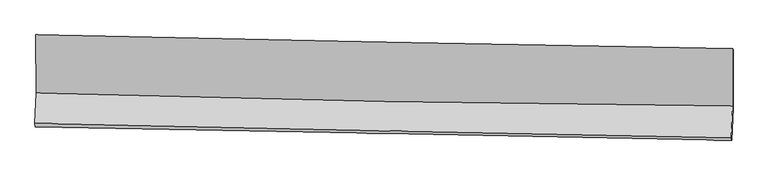
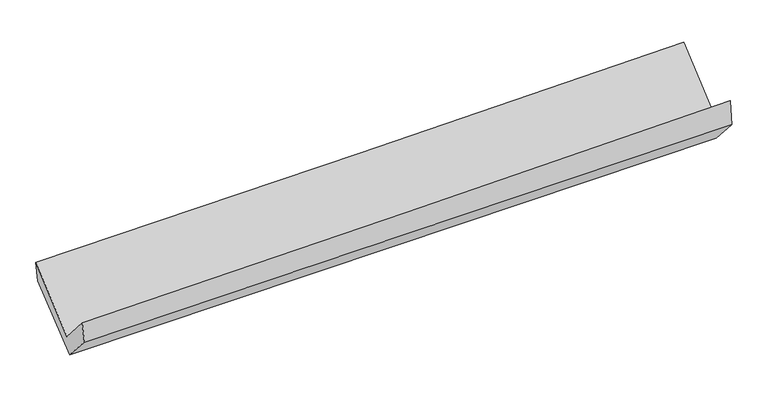
"""IFC4 building model written with IfcOpenShell, lengths in millimetres: proxy geometry."""

from ifc_helpers import new_model, si_unit, frame, origin, place, context, project, spatial, source, transform, mapped, element, save
from ifc_brep_helpers import plane_surface, spline_curve, spline_surface, advanced_brep


def generic_models_02222ac5(model_context):
    return source(origin(), model_context, "Body", "AdvancedBrep", [
        advanced_brep(
        [(-3028.3164039, -1151.9771544, 2167.3038431), (-3026.6419485, -1656.3474559, 1733.0103685), (3015.9827129, -1771.7390791, 1891.1563178), (3016.1332023, -1272.2390601, 2323.1659072), (-3036.6964819, -1924.5270672, 2035.8787357), (3005.3660828, -2047.0467182, 2216.4549287), (-3033.5585729, -1954.5939906, 1861.8198473), (3009.3551476, -2067.961913, 1984.6683834), (-3023.9415668, -1695.1888408, 1574.1553012), (3019.5670393, -1793.4827909, 1680.2878088), (-3025.3525158, -1182.7981029, 2001.2048871), (3020.0217076, -1280.8135517, 2107.6300551)],
        [
            (0, 1),
            (1, 2, spline_curve(3, [(-3026.6419485, -1656.3474559, 1733.0103685), (-2019.779519404, -1686.758710819, 1763.338371861), (-1012.786458498, -1711.580385301, 1791.681420286), (1001.421772318, -1750.043824778, 1844.396582343), (2008.636931587, -1763.686025125, 1868.768850353), (3015.9827129, -1771.7390791, 1891.1563178)], [4, 2, 4], [0.0, 9.919441514897187, 19.8384973736189])),
            (2, 3),
            (3, 0, spline_curve(3, [(3016.1332023, -1272.2390601, 2323.1659072), (2008.737040119, -1255.951333246, 2295.069297692), (1001.344616774, -1237.785875797, 2268.032719478), (-1013.47191858, -1197.698720117, 2216.078615745), (-2020.896031018, -1175.776875717, 2191.161172566), (-3028.3164039, -1151.9771544, 2167.3038431)], [4, 2, 4], [0.0, 9.919055858721713, 19.8384973736189])),
            (1, 4),
            (4, 5, spline_curve(3, [(-3036.6964819, -1924.5270672, 2035.8787357), (-2029.6131224, -1945.485127792, 2062.041004306), (-1022.556441251, -1966.174322013, 2090.170485678), (991.464411513, -2007.014185068, 2150.362702798), (1998.428585479, -2027.164874003, 2182.425285884), (3005.3660828, -2047.0467182, 2216.4549287)], [4, 2, 4], [0.0, 9.918035933386719, 19.835686265245315])),
            (5, 2),
            (4, 6),
            (6, 7, spline_curve(3, [(-3033.5585729, -1954.5939906, 1861.8198473), (-2026.326437946, -1971.242234506, 1880.721143804), (-1019.124438393, -1989.013888781, 1900.409384198), (995.18013274, -2026.803283601, 1941.358957551), (2002.282706764, -2046.82093671, 1962.620228898), (3009.3551476, -2067.961913, 1984.6683834)], [4, 2, 4], [0.0, 9.91743410666736, 19.834482635204907])),
            (7, 5),
            (6, 8),
            (8, 9, spline_curve(3, [(-3023.9415668, -1695.1888408, 1574.1553012), (-2016.755439714, -1713.233052769, 1594.604667901), (-1009.526867608, -1730.446464467, 1613.67387176), (1004.9760043, -1763.211049996, 1649.051267311), (2012.250301083, -1778.762288282, 1665.359565533), (3019.5670393, -1793.4827909, 1680.2878088)], [4, 2, 4], [0.0, 9.916896116771458, 19.833406676329517])),
            (9, 7),
            (8, 10),
            (10, 11, spline_curve(3, [(-3025.3525158, -1182.7981029, 2001.2048871), (-2017.838043125, -1200.693420577, 2021.789017959), (-1010.289827489, -1217.809176957, 2040.949992426), (1004.834916092, -1250.480932711, 2076.424937549), (2012.411441633, -1266.036992506, 2092.739019423), (3020.0217076, -1280.8135517, 2107.6300551)], [4, 2, 4], [0.0, 9.9184673465367, 19.836549074772442])),
            (11, 9),
            (10, 0),
            (3, 11),
        ],
        [
            spline_surface(3, 3, [[(-3028.3164039, -1151.9771544, 2167.3038431), (-2020.896031042, -1175.776875607, 2191.161172528), (-1013.471918736, -1197.698720021, 2216.078615712), (1001.34461693, -1237.785875893, 2268.032719511), (2008.737040074, -1255.951333402, 2295.069297689), (3016.1332023, -1272.2390601, 2323.1659072)], [(-3027.758252124, -1320.10058823, 2022.53935159), (-2020.523860538, -1346.104154008, 2048.553572317), (-1013.243431941, -1368.992608401, 2074.612883907), (1001.370335381, -1408.53852557, 2126.8206738), (2008.7036706, -1425.196230598, 2152.96914859), (3016.083039176, -1438.739066426, 2179.162710744)], [(-3027.200100276, -1488.22402207, 1877.77486001), (-2020.151689963, -1516.43143242, 1905.945972036), (-1013.014945202, -1540.286496779, 1933.147152079), (1001.396053776, -1579.291175243, 1985.608628066), (2008.670301096, -1594.441127817, 2010.868999458), (3016.032876024, -1605.239072774, 2035.159514256)], [(-3026.6419485, -1656.3474559, 1733.0103685), (-2019.77951946, -1686.758710821, 1763.338371825), (-1012.786458407, -1711.580385159, 1791.681420274), (1001.421772226, -1750.04382492, 1844.396582355), (2008.636931622, -1763.686025012, 1868.76885036), (3015.9827129, -1771.7390791, 1891.1563178)]], [4, 4], [4, 2, 4], [0.0, 2.183745741532907], [0.0, 9.919441514897187, 19.8384973736189]),
            spline_surface(3, 3, [[(-3026.6419485, -1656.3474559, 1733.0103685), (-2019.77951946, -1686.758710821, 1763.338371825), (-1012.786458407, -1711.580385159, 1791.681420274), (1001.421772226, -1750.04382492, 1844.396582355), (2008.636931622, -1763.686025012, 1868.76885036), (3015.9827129, -1771.7390791, 1891.1563178)], [(-3029.993459641, -1745.740659674, 1833.966490895), (-2023.057387082, -1773.000849786, 1862.905915997), (-1016.043119389, -1796.445030819, 1891.17777538), (998.102651976, -1835.700611574, 1946.385289191), (2005.234149542, -1851.512308062, 1973.320995557), (3012.443836187, -1863.50829214, 1999.589188081)], [(-3033.344970759, -1835.133863426, 1934.922613305), (-2026.335254682, -1859.242988731, 1962.473460184), (-1019.299780301, -1881.309676508, 1990.674130496), (994.783531796, -1921.357398259, 2048.373996038), (2001.831367499, -1939.33859109, 2077.873140812), (3008.904959513, -1955.27750516, 2108.022058419)], [(-3036.6964819, -1924.5270672, 2035.8787357), (-2029.613122303, -1945.485127696, 2062.041004356), (-1022.556441283, -1966.174322168, 2090.170485602), (991.464411546, -2007.014184914, 2150.362702874), (1998.428585419, -2027.164874139, 2182.425286009), (3005.3660828, -2047.0467182, 2216.4549287)]], [4, 4], [4, 2, 4], [0.0, 1.2994081327844231], [0.0, 9.918035933386719, 19.835686265245315]),
            spline_surface(3, 3, [[(-3036.6964819, -1924.5270672, 2035.8787357), (-2029.613122303, -1945.485127696, 2062.041004356), (-1022.556441283, -1966.174322168, 2090.170485602), (991.464411546, -2007.014184914, 2150.362702874), (1998.428585419, -2027.164874139, 2182.425286009), (3005.3660828, -2047.0467182, 2216.4549287)], [(-3035.650512215, -1934.549374993, 1977.85910621), (-2028.517560857, -1954.070829951, 2001.601050788), (-1021.412440304, -1973.787511051, 2026.916785152), (992.7029853, -2013.610551149, 2080.69478774), (1999.713292505, -2033.716895014, 2109.156933665), (3006.695771079, -2054.018449795, 2139.192746932)], [(-3034.604542585, -1944.571682807, 1919.83947679), (-2027.421999467, -1962.656532228, 1941.161097291), (-1020.268439383, -1981.400699906, 1963.663084714), (993.941558996, -2020.206917358, 2011.026872619), (2000.997999553, -2040.268915906, 2035.888581325), (3008.025459321, -2060.990181405, 2061.930565168)], [(-3033.5585729, -1954.5939906, 1861.8198473), (-2026.326438021, -1971.242234482, 1880.721143723), (-1019.124438404, -1989.013888789, 1900.409384264), (995.180132751, -2026.803283594, 1941.358957485), (2002.282706638, -2046.820936781, 1962.620228981), (3009.3551476, -2067.961913, 1984.6683834)]], [4, 4], [4, 2, 4], [0.0, 0.6579722351573345], [0.0, 9.91743410666736, 19.834482635204907]),
            spline_surface(3, 3, [[(-3033.5585729, -1954.5939906, 1861.8198473), (-2026.326438021, -1971.242234482, 1880.721143723), (-1019.124438404, -1989.013888789, 1900.409384264), (995.180132751, -2026.803283594, 1941.358957485), (2002.282706638, -2046.820936781, 1962.620228981), (3009.3551476, -2067.961913, 1984.6683834)], [(-3030.352904202, -1868.125607344, 1765.931665273), (-2023.13610522, -1885.239173956, 1785.348985117), (-1015.925248158, -1902.824747372, 1804.830880176), (998.445423279, -1938.939205716, 1843.923060736), (2005.605238124, -1957.468053984, 1863.53334122), (3012.759111502, -1976.468872314, 1883.208191894)], [(-3027.147235498, -1781.657224056, 1670.043483227), (-2019.945772411, -1799.236113398, 1689.976826493), (-1012.726057901, -1816.635605937, 1709.252376005), (1001.710713819, -1851.07512782, 1746.487163903), (2008.927769603, -1868.115171147, 1764.446453379), (3016.163075398, -1884.975831586, 1781.748000306)], [(-3023.9415668, -1695.1888408, 1574.1553012), (-2016.755439609, -1713.233052872, 1594.604667887), (-1009.526867655, -1730.44646452, 1613.673871917), (1004.976004347, -1763.211049943, 1649.051267154), (2012.250301089, -1778.762288349, 1665.359565618), (3019.5670393, -1793.4827909, 1680.2878088)]], [4, 4], [4, 2, 4], [0.0, 1.2794406865052683], [0.0, 9.916896116771458, 19.833406676329517]),
            spline_surface(3, 3, [[(-3023.9415668, -1695.1888408, 1574.1553012), (-2016.755439609, -1713.233052872, 1594.604667887), (-1009.526867655, -1730.44646452, 1613.673871917), (1004.976004347, -1763.211049943, 1649.051267154), (2012.250301089, -1778.762288349, 1665.359565618), (3019.5670393, -1793.4827909, 1680.2878088)], [(-3024.411883139, -1524.39192817, 1716.505163168), (-2017.11630749, -1542.38650875, 1736.999451293), (-1009.781187652, -1559.567368686, 1756.099245375), (1004.92897494, -1592.301010841, 1791.509157313), (2012.304014614, -1607.853856365, 1807.819383541), (3019.718595409, -1622.593044484, 1822.735224214)], [(-3024.882199461, -1353.59501553, 1858.855025132), (-2017.477175355, -1371.539964618, 1879.394234695), (-1010.035507588, -1388.688272858, 1898.524618859), (1004.881945595, -1421.390971746, 1933.967047498), (2012.357728113, -1436.945424429, 1950.27920152), (3019.870151491, -1451.703298116, 1965.182639686)], [(-3025.3525158, -1182.7981029, 2001.2048871), (-2017.838043236, -1200.693420497, 2021.789018101), (-1010.289827585, -1217.809177024, 2040.949992317), (1004.834916188, -1250.480932644, 2076.424937657), (2012.411441638, -1266.036992445, 2092.739019443), (3020.0217076, -1280.8135517, 2107.6300551)]], [4, 4], [4, 2, 4], [0.0, 2.189702806659486], [0.0, 9.9184673465367, 19.836549074772442]),
            spline_surface(3, 3, [[(-3025.3525158, -1182.7981029, 2001.2048871), (-2017.838043236, -1200.693420497, 2021.789018101), (-1010.289827585, -1217.809177024, 2040.949992317), (1004.834916188, -1250.480932644, 2076.424937657), (2012.411441638, -1266.036992445, 2092.739019443), (3020.0217076, -1280.8135517, 2107.6300551)], [(-3026.340478479, -1172.524453389, 2056.571205765), (-2018.857372484, -1192.387905522, 2078.246402908), (-1011.350524626, -1211.105691352, 2099.326200096), (1003.671483112, -1246.249247056, 2140.294198256), (2011.186641097, -1262.675106105, 2160.182445526), (3018.725539146, -1277.955387842, 2179.475339134)], [(-3027.328441221, -1162.250803911, 2111.937524435), (-2019.876701794, -1184.082390581, 2134.703787721), (-1012.411221695, -1204.402205693, 2157.702407933), (1002.508050006, -1242.017561481, 2204.163458912), (2009.961840616, -1259.313219741, 2227.625871606), (3017.429370754, -1275.097223958, 2251.320623166)], [(-3028.3164039, -1151.9771544, 2167.3038431), (-2020.896031042, -1175.776875607, 2191.161172528), (-1013.471918736, -1197.698720021, 2216.078615712), (1001.34461693, -1237.785875893, 2268.032719511), (2008.737040074, -1255.951333402, 2295.069297689), (3016.1332023, -1272.2390601, 2323.1659072)]], [4, 4], [4, 2, 4], [0.0, 0.6041020178345089], [0.0, 9.920346297002382, 19.840306902652433]),
            plane_surface(frame((3014.4043154, -1705.5471855, 2033.8939002), z_axis=(0.9996897123716534, -0.016466368501844263, 0.018690577482851592), x_axis=(0.0006812312471139487, 0.7681342318028451, 0.6402884801842377))),
            plane_surface(frame((-3029.0845816, -1594.2387687, 1895.5621638), z_axis=(-0.9996871841690649, 0.014330951448912159, -0.020497747161462538), x_axis=(0.017541921153493473, -0.18241534165301626, -0.9830650660723623))),
        ],
        [
            (0, [[1, 2, 3, 4]]),
            (1, [[5, 6, 7, -2]]),
            (2, [[8, 9, 10, -6]]),
            (3, [[11, 12, 13, -9]]),
            (4, [[14, 15, 16, -12]]),
            (5, [[17, -4, 18, -15]]),
            (6, [[-16, -18, -3, -7, -10, -13]]),
            (7, [[-17, -14, -11, -8, -5, -1]]),
        ],
    ),
    ])


if __name__ == "__main__":
    model = new_model("IFC4")
    model_context = context("Model", 3, world=origin())
    ifc_project = project(units=[si_unit("LENGTHUNIT", "METRE", prefix="MILLI")], contexts=[model_context])
    site = spatial("IfcSite", under=ifc_project)
    building = spatial("IfcBuilding", under=site)
    placement = place(None, origin())
    generic_models_shape = generic_models_02222ac5(model_context)
    element("IfcBuildingElementProxy", 1, Name="Generic Models", at=placement, inside=building, context=model_context, shape_type="MappedRepresentation", body=[
        mapped(generic_models_shape, transform((0.0, 0.0, 0.0), x_axis=(1.0, 0.0, 0.0), y_axis=(0.0, 1.0, 0.0), z_axis=(0.0, 0.0, 1.0))),
    ])
    save(model, "model.ifc")
